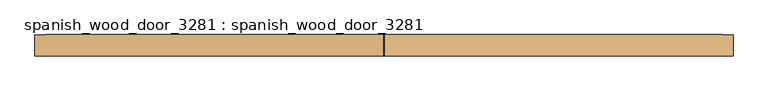
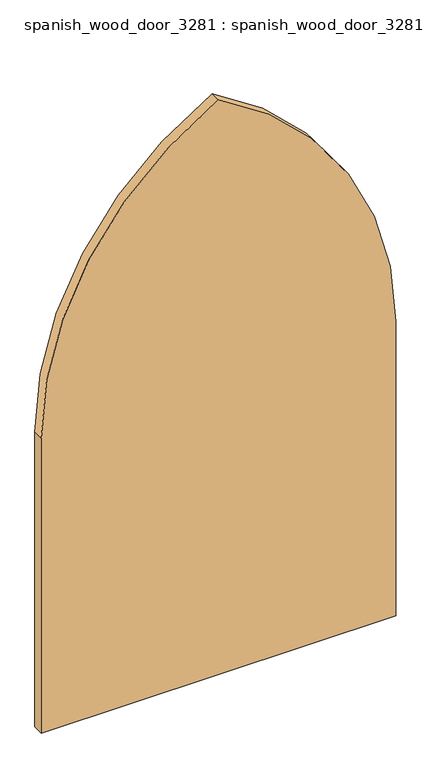
"""IFC4 building model written with IfcOpenShell, lengths in millimetres: door geometry, spanish_wood_door_3281 : spanish_wood_door_3281."""

from ifc_helpers import new_model, si_unit, point, frame, frame_2d, origin, place, context, project, spatial, polyline, circle_curve, trimmed, segment, composite_curve, outline, extrude, source, transform, mapped, element, save


def spanish_wood_door_3281_spanish_wood_door_3281_180eb485(model_context):
    return source(origin(), model_context, "Body", "SweptSolid", [
        extrude(outline(composite_curve([segment(polyline([(2195.2, -1250.0), (0.0, -1250.0), (0.0, 1250.0), (2195.2, 1250.0)]), True, "CONTINUOUS"), segment(trimmed(circle_curve(frame_2d((2195.2, -1118.1232317)), 2368.1232317), [point((2195.2, 1250.0))], [point((4282.736366, 0.0))], False, "CARTESIAN"), True, "CONTINUOUS"), segment(trimmed(circle_curve(frame_2d((2195.2, 1118.1232317)), 2368.1232317), [point((4282.736366, 0.0))], [point((2195.2, -1250.0))], False, "CARTESIAN"), True, "CONTINUOUS")], self_intersect=False)), frame((0.0, -76.2, 0.0), z_axis=(0.0, 1.0, 0.0), x_axis=(0.0, 0.0, 1.0)), (0.0, 0.0, 1.0), 76.2),
    ])


if __name__ == "__main__":
    model = new_model("IFC4")
    model_context = context("Model", 3, world=origin())
    ifc_project = project(units=[si_unit("LENGTHUNIT", "METRE", prefix="MILLI")], contexts=[model_context])
    site = spatial("IfcSite", under=ifc_project)
    building = spatial("IfcBuilding", under=site)
    placement = place(None, origin())
    spanish_wood_door_3281_spanish_wood_door_3281_shape = spanish_wood_door_3281_spanish_wood_door_3281_180eb485(model_context)
    element("IfcDoor", 1, ObjectType="spanish_wood_door_3281 : spanish_wood_door_3281", at=placement, inside=building, context=model_context, shape_type="MappedRepresentation", body=[
        mapped(spanish_wood_door_3281_spanish_wood_door_3281_shape, transform((0.0, 0.0, 0.0), x_axis=(1.0, 0.0, 0.0), y_axis=(0.0, 1.0, 0.0), z_axis=(0.0, 0.0, 1.0))),
    ])
    save(model, "model.ifc")
